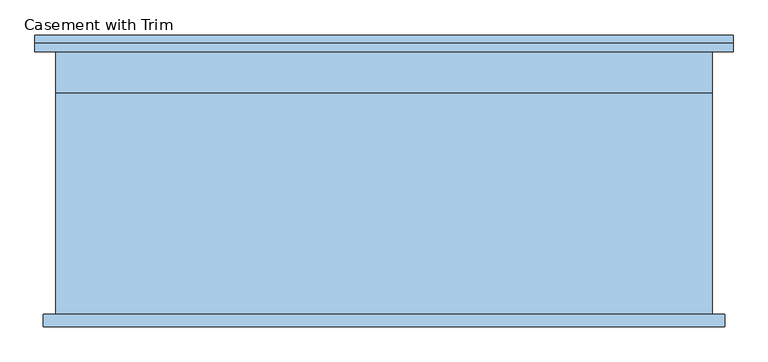
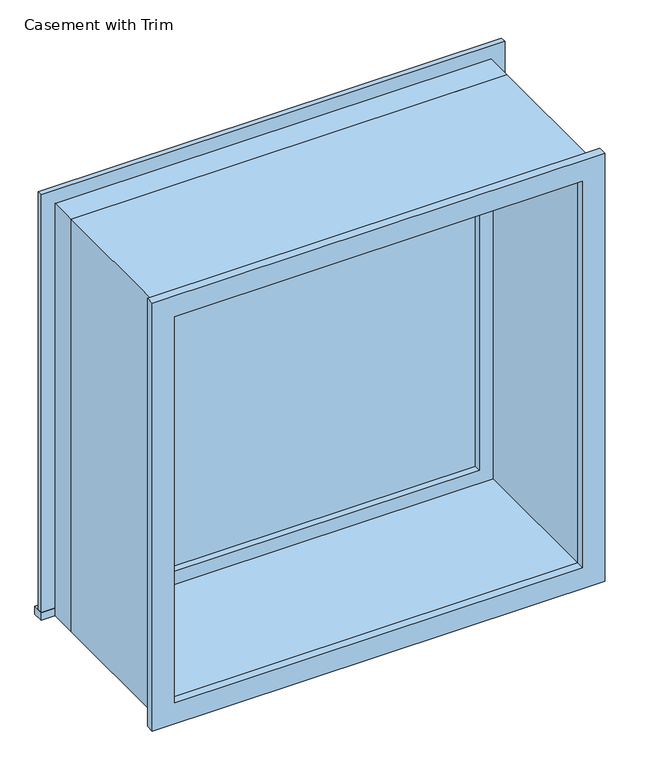
"""IFC4 building model written with IfcOpenShell, lengths in millimetres: window geometry, Casement with Trim."""

from ifc_helpers import new_model, si_unit, frame, origin, place, context, project, spatial, polyline, outline, extrude, source, transform, mapped, element, save


def casement_with_trim_3481ac07(model_context):
    return source(origin(), model_context, "Body", "SweptSolid", [
        extrude(outline(polyline([(-531.75, 225.4), (531.75, 225.4), (531.75, 200.0), (-531.75, 200.0), (-531.75, 225.4)])), frame((0.0, 0.0, 914.4), z_axis=(0.0, 0.0, 1.0), x_axis=(1.0, 0.0, 0.0)), (0.0, 0.0, 1.0), 19.05),
        extrude(outline(polyline([(1895.35, -480.95), (1895.35, 480.95), (933.45, 480.95), (933.45, 531.75), (1946.15, 531.75), (1946.15, -531.75), (933.45, -531.75), (933.45, -480.95), (1895.35, -480.95)])), frame((0.0, 200.0, 0.0), z_axis=(0.0, 1.0, 0.0), x_axis=(0.0, 0.0, 1.0)), (0.0, 0.0, 1.0), 12.7),
        extrude(outline(polyline([(1933.45, 519.05), (1933.45, -519.05), (895.35, -519.05), (895.35, 519.05), (1933.45, 519.05)]), holes=[polyline([(1882.65, 468.25), (946.15, 468.25), (946.15, -468.25), (1882.65, -468.25), (1882.65, 468.25)])]), frame((0.0, -219.05, 0.0), z_axis=(0.0, 1.0, 0.0), x_axis=(0.0, 0.0, 1.0)), (0.0, 0.0, 1.0), 19.05),
        extrude(outline(polyline([(436.5, 152.375), (-436.5, 152.375), (-436.5, 165.075), (436.5, 165.075), (436.5, 152.375)])), frame((0.0, 0.0, 977.9), z_axis=(0.0, 0.0, 1.0), x_axis=(1.0, 0.0, 0.0)), (0.0, 0.0, 1.0), 873.0),
        extrude(outline(polyline([(1895.35, -480.95), (933.45, -480.95), (933.45, 480.95), (1895.35, 480.95), (1895.35, -480.95)]), holes=[polyline([(1850.9, -436.5), (1850.9, 436.5), (977.9, 436.5), (977.9, -436.5), (1850.9, -436.5)])]), frame((0.0, 136.5, 0.0), z_axis=(0.0, 1.0, 0.0), x_axis=(0.0, 0.0, 1.0)), (0.0, 0.0, 1.0), 44.45),
        extrude(outline(polyline([(1914.4, -500.0), (914.4, -500.0), (914.4, 500.0), (1914.4, 500.0), (1914.4, -500.0)]), holes=[polyline([(1882.65, -468.25), (1882.65, 468.25), (946.15, 468.25), (946.15, -468.25), (1882.65, -468.25)])]), frame((0.0, -200.0, 0.0), z_axis=(0.0, 1.0, 0.0), x_axis=(0.0, 0.0, 1.0)), (0.0, 0.0, 1.0), 336.5),
        extrude(outline(polyline([(1914.4, 500.0), (1914.4, -500.0), (914.4, -500.0), (914.4, 500.0), (1914.4, 500.0)]), holes=[polyline([(1895.35, 480.95), (933.45, 480.95), (933.45, -480.95), (1895.35, -480.95), (1895.35, 480.95)])]), frame((0.0, 136.5, 0.0), z_axis=(0.0, 1.0, 0.0), x_axis=(0.0, 0.0, 1.0)), (0.0, 0.0, 1.0), 63.5),
    ])


if __name__ == "__main__":
    model = new_model("IFC4")
    model_context = context("Model", 3, world=origin())
    ifc_project = project(units=[si_unit("LENGTHUNIT", "METRE", prefix="MILLI")], contexts=[model_context])
    site = spatial("IfcSite", under=ifc_project)
    building = spatial("IfcBuilding", under=site)
    placement = place(None, origin())
    casement_with_trim_shape = casement_with_trim_3481ac07(model_context)
    element("IfcWindow", 1, ObjectType="Casement with Trim", at=placement, inside=building, context=model_context, shape_type="MappedRepresentation", body=[
        mapped(casement_with_trim_shape, transform((0.0, 0.0, 0.0), x_axis=(1.0, 0.0, 0.0), y_axis=(0.0, 1.0, 0.0), z_axis=(0.0, 0.0, 1.0))),
    ])
    save(model, "model.ifc")
